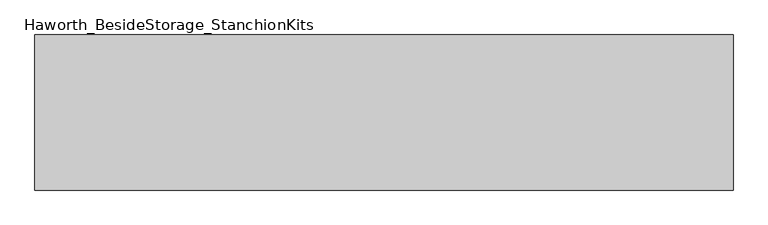
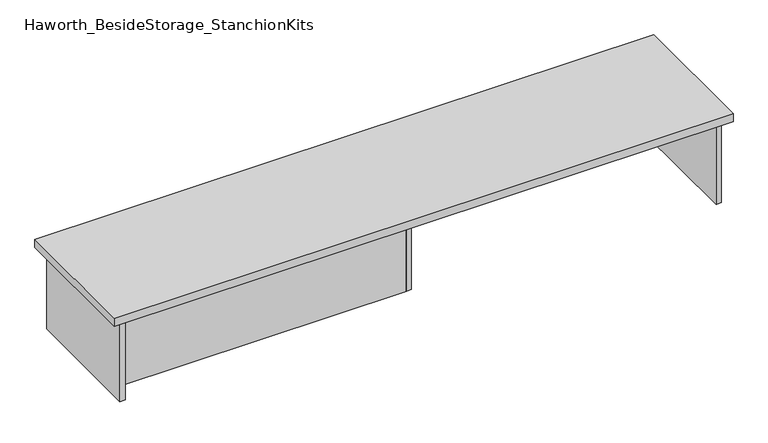
"""IFC4 building model written with IfcOpenShell, lengths in millimetres: furniture geometry, Haworth_BesideStorage_StanchionKits."""

from ifc_helpers import new_model, si_unit, frame, origin, place, context, project, spatial, polyline, outline, extrude, source, transform, mapped, element, save


def haworth_besidestorage_stanchionkits_81008810(model_context):
    return source(origin(), model_context, "Body", "SweptSolid", [
        extrude(outline(polyline([(1076.325, 0.0), (1076.325, -406.4), (-752.475, -406.4), (-752.475, 0.0), (1076.325, 0.0)])), frame((0.0, 0.0, 685.8), z_axis=(0.0, 0.0, 1.0), x_axis=(1.0, 0.0, 0.0)), (0.0, 0.0, 1.0), 25.4),
        extrude(outline(polyline([(169.8625, -76.2), (1035.05, -76.2), (1035.05, -92.075), (169.8625, -92.075), (169.8625, -76.2)])), frame((0.0, 0.0, 431.8), z_axis=(0.0, 0.0, 1.0), x_axis=(1.0, 0.0, 0.0)), (0.0, 0.0, 1.0), 254.0),
        extrude(outline(polyline([(153.9875, -314.325), (153.9875, -330.2), (-711.2, -330.2), (-711.2, -314.325), (153.9875, -314.325)])), frame((0.0, 0.0, 431.8), z_axis=(0.0, 0.0, 1.0), x_axis=(1.0, 0.0, 0.0)), (0.0, 0.0, 1.0), 254.0),
        extrude(outline(polyline([(169.8625, -330.2), (153.9875, -330.2), (153.9875, -76.2), (169.8625, -76.2), (169.8625, -330.2)])), frame((0.0, 0.0, 431.8), z_axis=(0.0, 0.0, 1.0), x_axis=(1.0, 0.0, 0.0)), (0.0, 0.0, 1.0), 254.0),
        extrude(outline(polyline([(1050.925, -390.525), (1035.05, -390.525), (1035.05, -15.875), (1050.925, -15.875), (1050.925, -390.525)])), frame((0.0, 0.0, 431.8), z_axis=(0.0, 0.0, 1.0), x_axis=(1.0, 0.0, 0.0)), (0.0, 0.0, 1.0), 254.0),
        extrude(outline(polyline([(-711.2, -390.525), (-727.075, -390.525), (-727.075, -15.875), (-711.2, -15.875), (-711.2, -390.525)])), frame((0.0, 0.0, 431.8), z_axis=(0.0, 0.0, 1.0), x_axis=(1.0, 0.0, 0.0)), (0.0, 0.0, 1.0), 254.0),
    ])


if __name__ == "__main__":
    model = new_model("IFC4")
    model_context = context("Model", 3, world=origin())
    ifc_project = project(units=[si_unit("LENGTHUNIT", "METRE", prefix="MILLI")], contexts=[model_context])
    site = spatial("IfcSite", under=ifc_project)
    building = spatial("IfcBuilding", under=site)
    placement = place(None, origin())
    haworth_besidestorage_stanchionkits_shape = haworth_besidestorage_stanchionkits_81008810(model_context)
    element("IfcFurniture", 1, ObjectType="Haworth_BesideStorage_StanchionKits", at=placement, inside=building, context=model_context, shape_type="MappedRepresentation", body=[
        mapped(haworth_besidestorage_stanchionkits_shape, transform((0.0, 0.0, 0.0), x_axis=(1.0, 0.0, 0.0), y_axis=(0.0, 1.0, 0.0), z_axis=(0.0, 0.0, 1.0))),
    ])
    save(model, "model.ifc")
